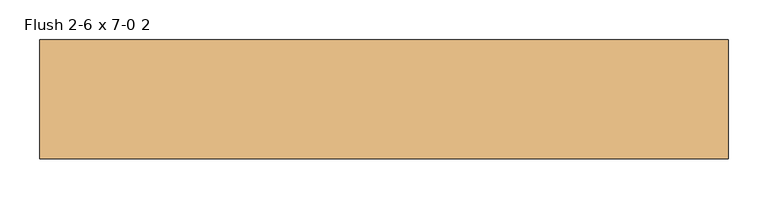
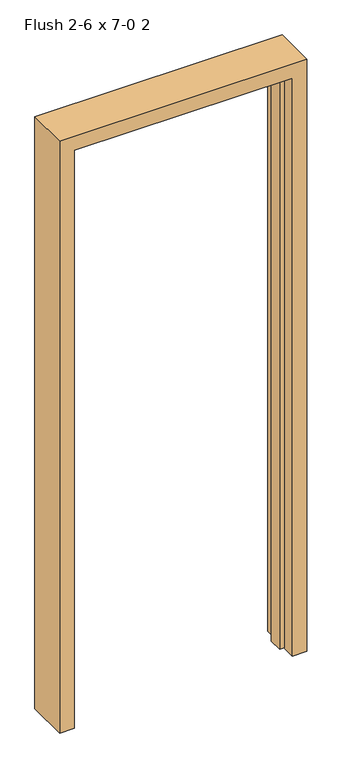
"""IFC4 building model written with IfcOpenShell, lengths in millimetres: door geometry, Flush 2-6 x 7-0 2."""

from ifc_helpers import new_model, si_unit, frame, origin, place, context, project, spatial, polyline, outline, extrude, source, transform, mapped, element, save


def flush_2_6_x_7_0_2_164e51db(model_context):
    return source(origin(), model_context, "Body", "SweptSolid", [
        extrude(outline(polyline([(0.0, 365.125), (0.0, 381.0), (2133.6, 381.0), (2133.6, -381.0), (0.0, -381.0), (0.0, -365.125), (2117.725, -365.125), (2117.725, 365.125), (0.0, 365.125)])), frame((0.0, -17.4625, 0.0), z_axis=(0.0, 1.0, 0.0), x_axis=(0.0, 0.0, 1.0)), (0.0, 0.0, 1.0), 50.8),
        extrude(outline(polyline([(0.0, 381.0), (0.0, 431.8), (2184.4, 431.8), (2184.4, -431.8), (0.0, -431.8), (0.0, -381.0), (2133.6, -381.0), (2133.6, 381.0), (0.0, 381.0)])), frame((0.0, -66.675, 0.0), z_axis=(0.0, 1.0, 0.0), x_axis=(0.0, 0.0, 1.0)), (0.0, 0.0, 1.0), 149.225),
    ])


if __name__ == "__main__":
    model = new_model("IFC4")
    model_context = context("Model", 3, world=origin())
    ifc_project = project(units=[si_unit("LENGTHUNIT", "METRE", prefix="MILLI")], contexts=[model_context])
    site = spatial("IfcSite", under=ifc_project)
    building = spatial("IfcBuilding", under=site)
    placement = place(None, origin())
    flush_2_6_x_7_0_2_shape = flush_2_6_x_7_0_2_164e51db(model_context)
    element("IfcDoor", 1, ObjectType="Flush 2-6 x 7-0 2", at=placement, inside=building, context=model_context, shape_type="MappedRepresentation", body=[
        mapped(flush_2_6_x_7_0_2_shape, transform((0.0, 0.0, 0.0), x_axis=(1.0, 0.0, 0.0), y_axis=(0.0, 1.0, 0.0), z_axis=(0.0, 0.0, 1.0))),
    ])
    save(model, "model.ifc")
